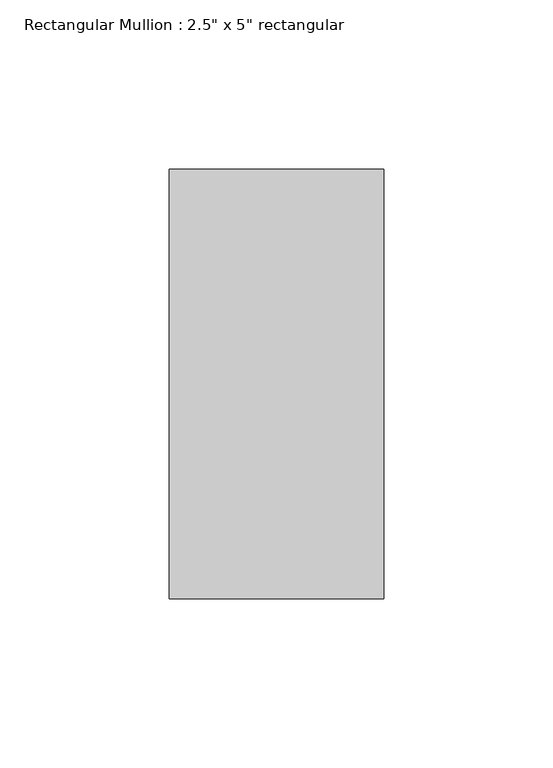
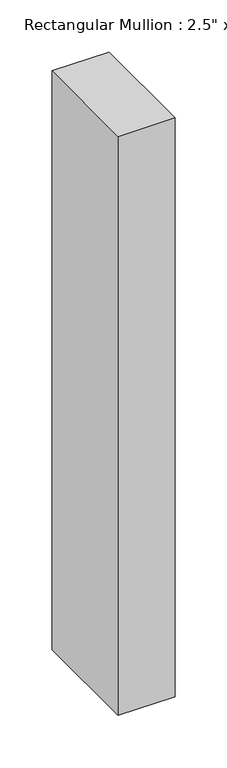
"""IFC4 building model written with IfcOpenShell, lengths in millimetres: member geometry."""

from ifc_helpers import new_model, si_unit, frame, origin, place, context, project, spatial, polyline, outline, extrude, source, transform, mapped, element, save


def member_8613ee48(model_context):
    return source(origin(), model_context, "Body", "SweptSolid", [
        extrude(outline(polyline([(0.0, 63.5), (0.0, -63.5), (-63.5, -63.5), (-63.5, 63.5), (0.0, 63.5)])), frame((0.0, 0.0, -679.45), z_axis=(0.0, 0.0, 1.0), x_axis=(1.0, 0.0, 0.0)), (0.0, 0.0, 1.0), 679.45),
    ])


if __name__ == "__main__":
    model = new_model("IFC4")
    model_context = context("Model", 3, world=origin())
    ifc_project = project(units=[si_unit("LENGTHUNIT", "METRE", prefix="MILLI")], contexts=[model_context])
    site = spatial("IfcSite", under=ifc_project)
    building = spatial("IfcBuilding", under=site)
    placement = place(None, origin())
    member_shape = member_8613ee48(model_context)
    element("IfcMember", 1, ObjectType="Rectangular Mullion : 2.5\" x 5\" rectangular", at=placement, inside=building, context=model_context, shape_type="MappedRepresentation", body=[
        mapped(member_shape, transform((0.0, 0.0, 0.0), x_axis=(1.0, 0.0, 0.0), y_axis=(0.0, 1.0, 0.0), z_axis=(0.0, 0.0, 1.0))),
    ])
    save(model, "model.ifc")
